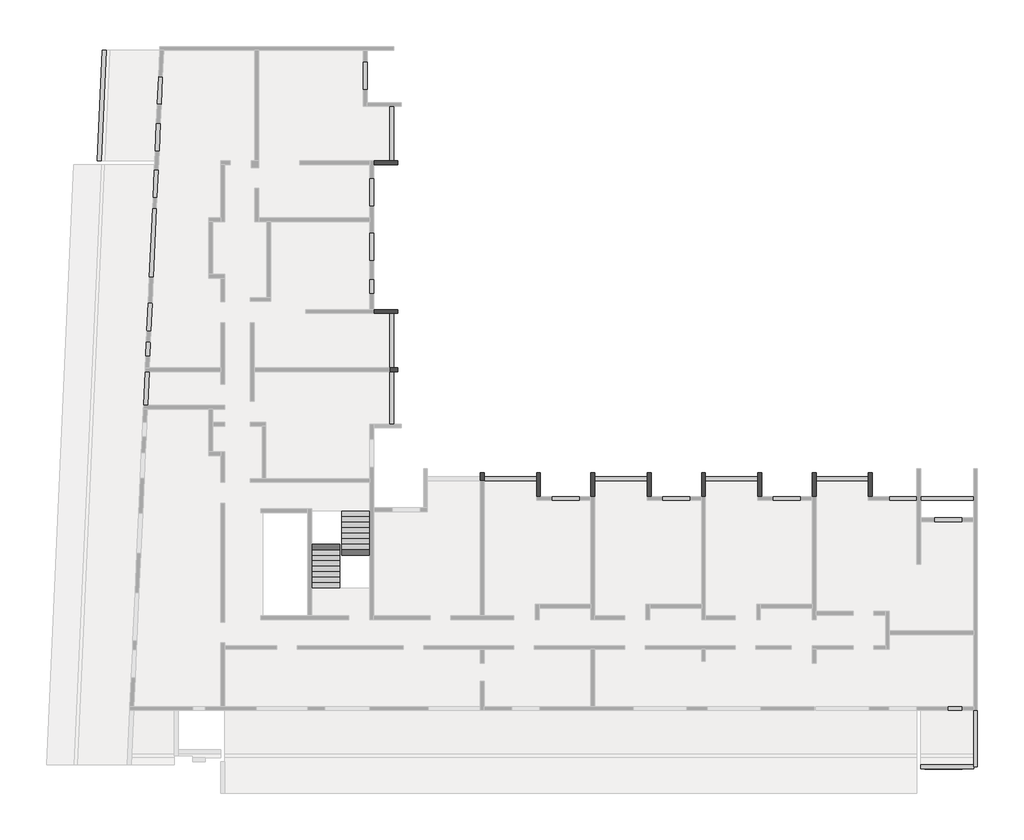
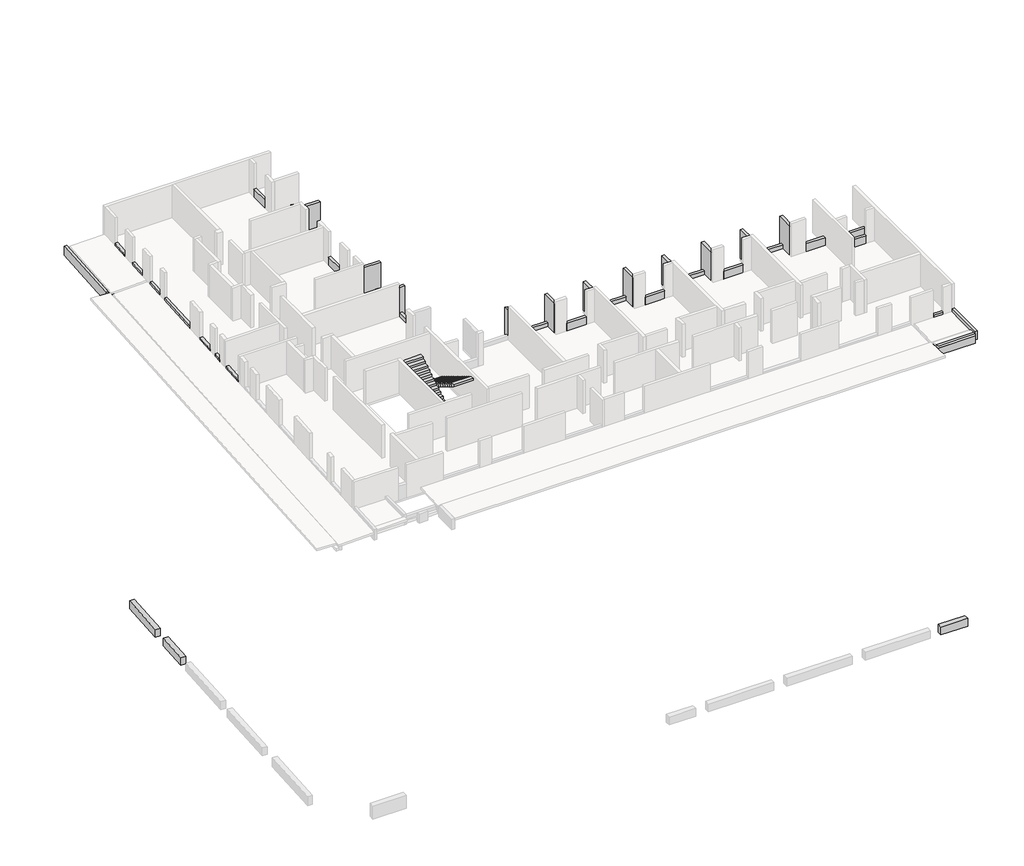
# One storey, part 4 of 4: 44 beams, 2 stair flights.
"""IFC4 building model written with IfcOpenShell, lengths in millimetres."""

from ifc_helpers import new_model, si_unit, frame, origin, place, context, project, spatial, polyline, outline, extrude, faceted_brep, element, save

model = new_model("IFC4")

# Units and contexts
model_context = context("Model", 3, world=origin())
ifc_project = project(units=[si_unit("LENGTHUNIT", "METRE", prefix="MILLI")], contexts=[model_context])

# Site, building, storey
site = spatial("IfcSite", under=ifc_project)
building = spatial("IfcBuilding", under=site)
storey = spatial("IfcBuildingStorey", under=building, Elevation=17350.0)

# Beams
placement = place(None, origin())
element("IfcBeam", 1, ObjectType="VF. 35/60", at=placement, inside=storey, context=model_context, shape_type="SweptSolid", body=[
    extrude(outline(polyline([(1214.3087092, -19094.0672499), (1214.3087092, -19444.0672499), (-725.6912908, -19444.0672499), (-725.6912908, -19094.0672499), (1214.3087092, -19094.0672499)])), frame((0.0, 0.0, -4300.0), z_axis=(0.0, 0.0, 1.0), x_axis=(1.0, 0.0, 0.0)), (0.0, 0.0, 1.0), 600.0),
])
element("IfcBeam", 2, ObjectType="VF. 35/60", at=placement, inside=storey, context=model_context, shape_type="SweptSolid", body=[
    extrude(outline(polyline([(-43422.2873301, 1534.4668187), (-43771.9277394, 1550.3282252), (-43663.0245256, 3950.9327501), (-43312.6645651, 3950.9327501), (-43422.2873301, 1534.4668187)])), frame((0.0, 0.0, -4300.0), z_axis=(0.0, 0.0, 1.0), x_axis=(1.0, 0.0, 0.0)), (0.0, 0.0, 1.0), 600.0),
])
element("IfcBeam", 3, ObjectType="VF. 35/60", at=placement, inside=storey, context=model_context, shape_type="SweptSolid", body=[
    extrude(outline(polyline([(-43265.3093316, 4994.8063327), (-43614.9497408, 5010.6677392), (-43454.5229436, 8547.0307357), (-43104.8825344, 8531.1693292), (-43265.3093316, 4994.8063327)])), frame((0.0, 0.0, -4300.0), z_axis=(0.0, 0.0, 1.0), x_axis=(1.0, 0.0, 0.0)), (0.0, 0.0, 1.0), 600.0),
])
element("IfcBeam", 4, ObjectType="VI. 20/238", at=placement, inside=storey, context=model_context, shape_type="Brep", body=[
    faceted_brep([(-3415.6912908, -5419.0672499, 19580.0), (-3615.6912908, -5419.0672499, 19580.0), (-3615.6912908, -5419.0672499, 17350.0), (-3415.6912908, -5419.0672499, 17350.0), (-3615.6912908, -4199.0672499, 19580.0), (-3415.6912908, -4199.0672499, 19580.0), (-3415.6912908, -4199.0672499, 17350.0), (-3615.6912908, -4199.0672499, 17350.0), (-3615.6912908, -4399.0672499, 17350.0), (-3615.6912908, -4399.0672499, 17650.0), (-3615.6912908, -4599.0672499, 17650.0), (-3615.6912908, -4599.0672499, 17350.0), (-3585.6912908, -4599.0672499, 17650.0), (-3585.6912908, -4399.0672499, 17650.0), (-3585.6912908, -4399.0672499, 17350.0), (-3585.6912908, -4599.0672499, 17350.0)], [[[0, 1, 2, 3]], [[4, 5, 6, 7]], [[1, 4, 7, 8, 9, 10, 11, 2]], [[5, 0, 3, 6]], [[1, 0, 5, 4]], [[12, 13, 14, 15]], [[10, 12, 15, 11]], [[13, 12, 10, 9]], [[13, 9, 8, 14]], [[3, 2, 11, 15, 14, 8, 7, 6]]]),
])
element("IfcBeam", 5, ObjectType="VI. 20/238", at=placement, inside=storey, context=model_context, shape_type="Brep", body=[
    faceted_brep([(-9105.6912908, -5419.0672499, 19580.0), (-9305.6912908, -5419.0672499, 19580.0), (-9305.6912908, -5419.0672499, 17350.0), (-9105.6912908, -5419.0672499, 17350.0), (-9305.6912908, -4199.0672499, 19580.0), (-9105.6912908, -4199.0672499, 19580.0), (-9105.6912908, -4199.0672499, 17350.0), (-9305.6912908, -4199.0672499, 17350.0), (-9305.6912908, -4399.0672499, 17350.0), (-9305.6912908, -4599.0672499, 17350.0)], [[[0, 1, 2, 3]], [[4, 5, 6, 7]], [[1, 4, 7, 8, 9, 2]], [[5, 0, 3, 6]], [[1, 0, 5, 4]], [[3, 2, 9, 8, 7, 6]]]),
])
element("IfcBeam", 6, ObjectType="VI. 20/238", at=placement, inside=storey, context=model_context, shape_type="Brep", body=[
    faceted_brep([(-20485.6912908, -5419.0672499, 19580.0), (-20685.6912908, -5419.0672499, 19580.0), (-20685.6912908, -5419.0672499, 17350.0), (-20485.6912908, -5419.0672499, 17350.0), (-20685.6912908, -4199.0672499, 19580.0), (-20485.6912908, -4199.0672499, 19580.0), (-20485.6912908, -4199.0672499, 17350.0), (-20685.6912908, -4199.0672499, 17350.0), (-20685.6912908, -4399.0672499, 17350.0), (-20685.6912908, -4399.0672499, 17650.0), (-20685.6912908, -4599.0672499, 17650.0), (-20685.6912908, -4599.0672499, 17350.0), (-20655.6912908, -4599.0672499, 17650.0), (-20655.6912908, -4399.0672499, 17650.0), (-20655.6912908, -4399.0672499, 17350.0), (-20655.6912908, -4599.0672499, 17350.0)], [[[0, 1, 2, 3]], [[4, 5, 6, 7]], [[1, 4, 7, 8, 9, 10, 11, 2]], [[5, 0, 3, 6]], [[1, 0, 5, 4]], [[12, 13, 14, 15]], [[10, 12, 15, 11]], [[13, 12, 10, 9]], [[13, 9, 8, 14]], [[3, 2, 11, 15, 14, 8, 7, 6]]]),
])
element("IfcBeam", 7, ObjectType="VI. 20/238", at=placement, inside=storey, context=model_context, shape_type="Brep", body=[
    faceted_brep([(-14995.6912908, -4199.0672499, 19580.0), (-14795.6912908, -4199.0672499, 19580.0), (-14795.6912908, -4199.0672499, 17350.0), (-14995.6912908, -4199.0672499, 17350.0), (-14795.6912908, -5419.0672499, 19580.0), (-14995.6912908, -5419.0672499, 19580.0), (-14995.6912908, -5419.0672499, 17350.0), (-14795.6912908, -5419.0672499, 17350.0), (-14995.6912908, -4399.0672499, 17350.0), (-14995.6912908, -4599.0672499, 17350.0)], [[[0, 1, 2, 3]], [[4, 5, 6, 7]], [[1, 4, 7, 2]], [[5, 0, 3, 8, 9, 6]], [[1, 0, 5, 4]], [[3, 2, 7, 6, 9, 8]]]),
])
element("IfcBeam", 8, ObjectType="VI. 20/238", at=placement, inside=storey, context=model_context, shape_type="Brep", body=[
    faceted_brep([(-27835.6912908, 4200.9327501, 19580.0), (-27835.6912908, 4000.9327501, 19580.0), (-27835.6912908, 4000.9327501, 17350.0), (-27835.6912908, 4200.9327501, 17350.0), (-29065.6912908, 4000.9327501, 19580.0), (-29065.6912908, 4200.9327501, 19580.0), (-29065.6912908, 4200.9327501, 17350.0), (-29065.6912908, 4000.9327501, 17350.0), (-28235.6912908, 4000.9327501, 17350.0), (-28035.6912908, 4000.9327501, 17350.0)], [[[0, 1, 2, 3]], [[4, 5, 6, 7]], [[1, 4, 7, 8, 9, 2]], [[5, 0, 3, 6]], [[1, 0, 5, 4]], [[3, 2, 9, 8, 7, 6]]]),
])
element("IfcBeam", 9, ObjectType="VI. 20/238", at=placement, inside=storey, context=model_context, shape_type="Brep", body=[
    faceted_brep([(-23375.6912908, -4599.0672499, 19580.0), (-23575.6912908, -4599.0672499, 19580.0), (-23575.6912908, -4599.0672499, 17350.0), (-23375.6912908, -4599.0672499, 17350.0), (-23575.6912908, -4199.0672499, 19580.0), (-23375.6912908, -4199.0672499, 19580.0), (-23375.6912908, -4199.0672499, 17350.0), (-23575.6912908, -4199.0672499, 17350.0), (-23575.6912908, -4399.0672499, 17350.0), (-23375.6912908, -4399.0672499, 17350.0)], [[[0, 1, 2, 3]], [[4, 5, 6, 7]], [[1, 4, 7, 8, 2]], [[5, 0, 3, 9, 6]], [[1, 0, 5, 4]], [[3, 2, 8, 7, 6, 9]]]),
])
element("IfcBeam", 10, ObjectType="VI. 20/238", at=placement, inside=storey, context=model_context, shape_type="Brep", body=[
    faceted_brep([(-6305.6912908, -5419.0672499, 19580.0), (-6505.6912908, -5419.0672499, 19580.0), (-6505.6912908, -5419.0672499, 17350.0), (-6305.6912908, -5419.0672499, 17350.0), (-6505.6912908, -4199.0672499, 19580.0), (-6305.6912908, -4199.0672499, 19580.0), (-6305.6912908, -4199.0672499, 17350.0), (-6505.6912908, -4199.0672499, 17350.0), (-6305.6912908, -4399.0672499, 17350.0)], [[[0, 1, 2, 3]], [[4, 5, 6, 7]], [[1, 4, 7, 2]], [[5, 0, 3, 8, 6]], [[1, 0, 5, 4]], [[3, 2, 7, 6, 8]]]),
])
element("IfcBeam", 11, ObjectType="VI. 20/238", at=placement, inside=storey, context=model_context, shape_type="Brep", body=[
    faceted_brep([(-11995.6912908, -5419.0672499, 19580.0), (-12195.6912908, -5419.0672499, 19580.0), (-12195.6912908, -5419.0672499, 17350.0), (-11995.6912908, -5419.0672499, 17350.0), (-12195.6912908, -4199.0672499, 19580.0), (-11995.6912908, -4199.0672499, 19580.0), (-11995.6912908, -4199.0672499, 17350.0), (-12195.6912908, -4199.0672499, 17350.0), (-11995.6912908, -4399.0672499, 17350.0)], [[[0, 1, 2, 3]], [[4, 5, 6, 7]], [[1, 4, 7, 2]], [[5, 0, 3, 8, 6]], [[1, 0, 5, 4]], [[3, 2, 7, 6, 8]]]),
])
element("IfcBeam", 12, ObjectType="VI. 20/238", at=placement, inside=storey, context=model_context, shape_type="Brep", body=[
    faceted_brep([(-17885.6912908, -4199.0672499, 19580.0), (-17685.6912908, -4199.0672499, 19580.0), (-17685.6912908, -4199.0672499, 17350.0), (-17885.6912908, -4199.0672499, 17350.0), (-17685.6912908, -5419.0672499, 19580.0), (-17885.6912908, -5419.0672499, 19580.0), (-17885.6912908, -5419.0672499, 17350.0), (-17685.6912908, -5419.0672499, 17350.0), (-17685.6912908, -4399.0672499, 17350.0)], [[[0, 1, 2, 3]], [[4, 5, 6, 7]], [[1, 4, 7, 8, 2]], [[5, 0, 3, 6]], [[1, 0, 5, 4]], [[3, 2, 8, 7, 6]]]),
])
element("IfcBeam", 13, ObjectType="VI. 20/238", at=placement, inside=storey, context=model_context, shape_type="Brep", body=[
    faceted_brep([(-27835.6912908, 1200.9327501, 19580.0), (-27835.6912908, 1000.9327501, 19580.0), (-27835.6912908, 1000.9327501, 17350.0), (-27835.6912908, 1200.9327501, 17350.0), (-28235.6912908, 1000.9327501, 19580.0), (-28235.6912908, 1200.9327501, 19580.0), (-28235.6912908, 1200.9327501, 17350.0), (-28235.6912908, 1000.9327501, 17350.0), (-28035.6912908, 1200.9327501, 17350.0), (-28035.6912908, 1000.9327501, 17350.0)], [[[0, 1, 2, 3]], [[4, 5, 6, 7]], [[5, 0, 3, 8, 6]], [[1, 4, 7, 9, 2]], [[1, 0, 5, 4]], [[3, 2, 9, 7, 6, 8]]]),
])
element("IfcBeam", 14, ObjectType="VI. 20/238", at=placement, inside=storey, context=model_context, shape_type="Brep", body=[
    faceted_brep([(-27835.6912908, 11850.9327501, 19580.0), (-27835.6912908, 11650.9327501, 19580.0), (-27835.6912908, 11650.9327501, 17350.0), (-27835.6912908, 11850.9327501, 17350.0), (-29065.6912908, 11650.9327501, 17350.0), (-29065.6912908, 11850.9327501, 17350.0), (-28235.6912908, 11850.9327501, 17350.0), (-28035.6912908, 11850.9327501, 17350.0), (-29065.6912908, 11850.9327501, 19580.0), (-29065.6912908, 11650.9327501, 19580.0)], [[[0, 1, 2, 3]], [[2, 4, 5, 6, 7, 3]], [[8, 5, 4, 9]], [[8, 0, 3, 7, 6, 5]], [[4, 2, 1, 9]], [[1, 0, 8, 9]]]),
])
element("IfcBeam", 15, ObjectType="VI. 20/45", at=placement, inside=storey, context=model_context, shape_type="Brep", body=[
    faceted_brep([(-3585.6912908, -4399.0672499, 17650.0), (-3585.6912908, -4599.0672499, 17650.0), (-3585.6912908, -4599.0672499, 17350.0), (-3585.6912908, -4399.0672499, 17350.0), (-6305.6912908, -4599.0672499, 17650.0), (-6305.6912908, -4399.0672499, 17650.0), (-6305.6912908, -4399.0672499, 17350.0), (-6305.6912908, -4599.0672499, 17350.0), (-3615.6912908, -4599.0672499, 17650.0), (-3615.6912908, -4599.0672499, 17350.0), (-3615.6912908, -4399.0672499, 17650.0), (-3615.6912908, -4399.0672499, 17350.0)], [[[0, 1, 2, 3]], [[4, 5, 6, 7]], [[1, 8, 4, 7, 9, 2]], [[5, 10, 0, 3, 11, 6]], [[1, 0, 10, 5, 4, 8]], [[3, 2, 9, 7, 6, 11]]]),
])
element("IfcBeam", 16, ObjectType="VI. 20/45", at=placement, inside=storey, context=model_context, shape_type="SweptSolid", body=[
    extrude(outline(polyline([(-9305.6912908, -4399.0672499), (-9305.6912908, -4599.0672499), (-11995.6912908, -4599.0672499), (-11995.6912908, -4399.0672499), (-9305.6912908, -4399.0672499)])), frame((0.0, 0.0, 17350.0), z_axis=(0.0, 0.0, 1.0), x_axis=(1.0, 0.0, 0.0)), (0.0, 0.0, 1.0), 300.0),
])
element("IfcBeam", 17, ObjectType="VI. 20/45", at=placement, inside=storey, context=model_context, shape_type="SweptSolid", body=[
    extrude(outline(polyline([(-14995.6912908, -4399.0672499), (-14995.6912908, -4599.0672499), (-17685.6912908, -4599.0672499), (-17685.6912908, -4399.0672499), (-14995.6912908, -4399.0672499)])), frame((0.0, 0.0, 17350.0), z_axis=(0.0, 0.0, 1.0), x_axis=(1.0, 0.0, 0.0)), (0.0, 0.0, 1.0), 300.0),
])
element("IfcBeam", 18, ObjectType="VI. 20/45", at=placement, inside=storey, context=model_context, shape_type="Brep", body=[
    faceted_brep([(-20655.6912908, -4399.0672499, 17650.0), (-20655.6912908, -4599.0672499, 17650.0), (-20655.6912908, -4599.0672499, 17350.0), (-20655.6912908, -4399.0672499, 17350.0), (-23375.6912908, -4599.0672499, 17650.0), (-23375.6912908, -4399.0672499, 17650.0), (-23375.6912908, -4399.0672499, 17350.0), (-23375.6912908, -4599.0672499, 17350.0), (-20685.6912908, -4599.0672499, 17650.0), (-20685.6912908, -4599.0672499, 17350.0), (-20685.6912908, -4399.0672499, 17650.0), (-20685.6912908, -4399.0672499, 17350.0)], [[[0, 1, 2, 3]], [[4, 5, 6, 7]], [[1, 8, 4, 7, 9, 2]], [[5, 10, 0, 3, 11, 6]], [[1, 0, 10, 5, 4, 8]], [[3, 2, 9, 7, 6, 11]]]),
])
element("IfcBeam", 19, ObjectType="VI. 20/45", at=placement, inside=storey, context=model_context, shape_type="SweptSolid", body=[
    extrude(outline(polyline([(-28235.6912908, 14650.9327501), (-28035.6912908, 14650.9327501), (-28035.6912908, 11850.9327501), (-28235.6912908, 11850.9327501), (-28235.6912908, 14650.9327501)])), frame((0.0, 0.0, 17350.0), z_axis=(0.0, 0.0, 1.0), x_axis=(1.0, 0.0, 0.0)), (0.0, 0.0, 1.0), 300.0),
])
element("IfcBeam", 20, ObjectType="VI. 20/45", at=placement, inside=storey, context=model_context, shape_type="SweptSolid", body=[
    extrude(outline(polyline([(-28235.6912908, 4000.9327501), (-28035.6912908, 4000.9327501), (-28035.6912908, 1200.9327501), (-28235.6912908, 1200.9327501), (-28235.6912908, 4000.9327501)])), frame((0.0, 0.0, 17350.0), z_axis=(0.0, 0.0, 1.0), x_axis=(1.0, 0.0, 0.0)), (0.0, 0.0, 1.0), 300.0),
])
element("IfcBeam", 21, ObjectType="VI. 20/45", at=placement, inside=storey, context=model_context, shape_type="SweptSolid", body=[
    extrude(outline(polyline([(-28235.6912908, 1000.9327501), (-28035.6912908, 1000.9327501), (-28035.6912908, -1689.5482142), (-28235.6912908, -1689.5482142), (-28235.6912908, 1000.9327501)])), frame((0.0, 0.0, 17350.0), z_axis=(0.0, 0.0, 1.0), x_axis=(1.0, 0.0, 0.0)), (0.0, 0.0, 1.0), 300.0),
])
element("IfcBeam", 22, ObjectType="VI. 20/45", at=placement, inside=storey, context=model_context, shape_type="Brep", body=[
    faceted_brep([(-42678.9989318, 11850.9327501, 17300.0), (-42421.3262299, 17530.9327501, 17300.0), (-42421.3262299, 17530.9327501, 17603.970003), (-42678.9989318, 11850.9327501, 17603.970003), (-42879.2046235, 11850.9327501, 17300.0), (-42621.5319217, 17530.9327501, 17300.0), (-42879.2046235, 11850.9327501, 17500.0), (-42879.2046235, 11850.9327501, 17599.970003), (-42621.5319217, 17530.9327501, 17599.970003), (-42621.5319217, 17530.9327501, 17500.0)], [[[0, 1, 2, 3]], [[0, 4, 5, 1]], [[5, 4, 6, 7, 8, 9]], [[4, 0, 3, 7, 6]], [[1, 5, 9, 8, 2]], [[3, 2, 8, 7]]]),
])
element("IfcBeam", 23, ObjectType="VI. 20/47", at=placement, inside=storey, context=model_context, shape_type="Brep", body=[
    faceted_brep([(1794.3087092, -5619.0672499, 17670.0), (1794.3087092, -5619.0672499, 17200.0), (1794.3087092, -5419.0672499, 17200.0), (1794.3087092, -5419.0672499, 17670.0), (-925.6912908, -5619.0672499, 17670.0), (-925.6912908, -5419.0672499, 17670.0), (-925.6912908, -5419.0672499, 17350.0), (-925.6912908, -5419.0672499, 17200.0), (-925.6912908, -5619.0672499, 17200.0), (-925.6912908, -5619.0672499, 17350.0)], [[[0, 1, 2, 3]], [[4, 5, 6, 7, 8, 9]], [[1, 0, 4, 9, 8]], [[2, 1, 8, 7]], [[3, 2, 7, 6, 5]], [[0, 3, 5, 4]]]),
])
element("IfcBeam", 24, ObjectType="VI. 20/57.5", at=placement, inside=storey, context=model_context, shape_type="Brep", body=[
    faceted_brep([(1794.3087092, -19049.0672499, 17300.0), (1794.3087092, -18849.0672499, 17300.0), (1794.3087092, -18849.0672499, 17500.0), (1794.3087092, -18849.0672499, 17724.880048), (1794.3087092, -19049.0672499, 17732.880048), (-925.6912908, -18849.0672499, 17300.0), (-925.6912908, -19049.0672499, 17300.0), (-925.6912908, -19049.0672499, 17732.880048), (-925.6912908, -18849.0672499, 17724.880048), (-925.6912908, -18849.0672499, 17500.0)], [[[0, 1, 2, 3, 4]], [[5, 6, 7, 8, 9]], [[6, 0, 4, 7]], [[1, 0, 6, 5]], [[1, 5, 9, 8, 3, 2]], [[4, 3, 8, 7]]]),
])
element("IfcBeam", 25, ObjectType="VI. 20/70", at=placement, inside=storey, context=model_context, shape_type="Brep", body=[
    faceted_brep([(-43079.4103153, 11850.9327501, 17200.0), (-42821.7376134, 17530.9327501, 17200.0), (-42821.7376134, 17530.9327501, 17300.0), (-42821.7376134, 17530.9327501, 17500.0), (-42821.7376134, 17530.9327501, 17900.0), (-43079.4103153, 11850.9327501, 17900.0), (-43079.4103153, 11850.9327501, 17500.0), (-43079.4103153, 11850.9327501, 17300.0), (-43279.616007, 11850.9327501, 17200.0), (-43021.9433052, 17530.9327501, 17200.0), (-43279.616007, 11850.9327501, 17900.0), (-43021.9433052, 17530.9327501, 17900.0)], [[[0, 1, 2, 3, 4, 5, 6, 7]], [[0, 8, 9, 1]], [[8, 10, 11, 9]], [[10, 5, 4, 11]], [[8, 0, 7, 6, 5, 10]], [[1, 9, 11, 4, 3, 2]]]),
])
element("IfcBeam", 26, ObjectType="VI. 20/70", at=placement, inside=storey, context=model_context, shape_type="Brep", body=[
    faceted_brep([(1794.3087092, -19219.0672499, 17900.0), (1794.3087092, -19419.0672499, 17900.0), (1794.3087092, -19419.0672499, 17897.8), (1794.3087092, -19219.0672499, 17889.8), (-925.6912908, -19419.0672499, 17900.0), (-925.6912908, -19419.0672499, 17897.8), (-925.6912908, -19219.0672499, 17900.0), (-925.6912908, -19219.0672499, 17889.8)], [[[0, 1, 2, 3]], [[1, 4, 5, 2]], [[1, 0, 6, 4]], [[3, 2, 5, 7]], [[4, 6, 7, 5]], [[6, 0, 3, 7]]]),
    faceted_brep([(-925.6912908, -19219.0672499, 17200.0), (-925.6912908, -19419.0672499, 17200.0), (-925.6912908, -19419.0672499, 17747.680048), (-925.6912908, -19219.0672499, 17739.680048), (1794.3087092, -19219.0672499, 17200.0), (1794.3087092, -19419.0672499, 17200.0), (1794.3087092, -19219.0672499, 17739.680048), (1794.3087092, -19419.0672499, 17747.680048), (1794.3087092, -19419.0672499, 17350.0)], [[[0, 1, 2, 3]], [[4, 5, 1, 0]], [[4, 0, 3, 6]], [[7, 6, 3, 2]], [[5, 4, 6, 7, 8]], [[1, 5, 8, 7, 2]]]),
])
element("IfcBeam", 27, ObjectType="VI. 20/75", at=placement, inside=storey, context=model_context, shape_type="SweptSolid", body=[
    extrude(outline(polyline([(1189.3087092, -6519.0672499), (1189.3087092, -6719.0672499), (-200.6912908, -6719.0672499), (-200.6912908, -6519.0672499), (1189.3087092, -6519.0672499)])), frame((0.0, 0.0, 17350.0), z_axis=(0.0, 0.0, 1.0), x_axis=(1.0, 0.0, 0.0)), (0.0, 0.0, 1.0), 600.0),
])
element("IfcBeam", 28, ObjectType="VI. 20/75", at=placement, inside=storey, context=model_context, shape_type="SweptSolid", body=[
    extrude(outline(polyline([(-1125.6912908, -5419.0672499), (-1125.6912908, -5619.0672499), (-2545.6912908, -5619.0672499), (-2545.6912908, -5419.0672499), (-1125.6912908, -5419.0672499)])), frame((0.0, 0.0, 17350.0), z_axis=(0.0, 0.0, 1.0), x_axis=(1.0, 0.0, 0.0)), (0.0, 0.0, 1.0), 600.0),
])
element("IfcBeam", 29, ObjectType="VI. 20/75", at=placement, inside=storey, context=model_context, shape_type="SweptSolid", body=[
    extrude(outline(polyline([(-7085.6912908, -5419.0672499), (-7085.6912908, -5619.0672499), (-8525.6912908, -5619.0672499), (-8525.6912908, -5419.0672499), (-7085.6912908, -5419.0672499)])), frame((0.0, 0.0, 17350.0), z_axis=(0.0, 0.0, 1.0), x_axis=(1.0, 0.0, 0.0)), (0.0, 0.0, 1.0), 600.0),
])
element("IfcBeam", 30, ObjectType="VI. 20/75", at=placement, inside=storey, context=model_context, shape_type="SweptSolid", body=[
    extrude(outline(polyline([(-29265.6912908, 8150.9327501), (-29065.6912908, 8150.9327501), (-29065.6912908, 6710.9327501), (-29265.6912908, 6710.9327501), (-29265.6912908, 8150.9327501)])), frame((0.0, 0.0, 17350.0), z_axis=(0.0, 0.0, 1.0), x_axis=(1.0, 0.0, 0.0)), (0.0, 0.0, 1.0), 600.0),
])
element("IfcBeam", 31, ObjectType="VI. 20/75", at=placement, inside=storey, context=model_context, shape_type="SweptSolid", body=[
    extrude(outline(polyline([(-12775.6912908, -5419.0672499), (-12775.6912908, -5619.0672499), (-14215.6912908, -5619.0672499), (-14215.6912908, -5419.0672499), (-12775.6912908, -5419.0672499)])), frame((0.0, 0.0, 17350.0), z_axis=(0.0, 0.0, 1.0), x_axis=(1.0, 0.0, 0.0)), (0.0, 0.0, 1.0), 600.0),
])
element("IfcBeam", 32, ObjectType="VI. 20/75", at=placement, inside=storey, context=model_context, shape_type="SweptSolid", body=[
    extrude(outline(polyline([(-18465.6912908, -5419.0672499), (-18465.6912908, -5619.0672499), (-19905.6912908, -5619.0672499), (-19905.6912908, -5419.0672499), (-18465.6912908, -5419.0672499)])), frame((0.0, 0.0, 17350.0), z_axis=(0.0, 0.0, 1.0), x_axis=(1.0, 0.0, 0.0)), (0.0, 0.0, 1.0), 600.0),
])
element("IfcBeam", 33, ObjectType="VI. 20/75", at=placement, inside=storey, context=model_context, shape_type="SweptSolid", body=[
    extrude(outline(polyline([(-29265.6912908, 5760.9327501), (-29065.6912908, 5760.9327501), (-29065.6912908, 5020.9327501), (-29265.6912908, 5020.9327501), (-29265.6912908, 5760.9327501)])), frame((0.0, 0.0, 17350.0), z_axis=(0.0, 0.0, 1.0), x_axis=(1.0, 0.0, 0.0)), (0.0, 0.0, 1.0), 600.0),
])
element("IfcBeam", 34, ObjectType="VI. 20/75", at=placement, inside=storey, context=model_context, shape_type="SweptSolid", body=[
    extrude(outline(polyline([(-29265.6912908, 10925.9327501), (-29065.6912908, 10925.9327501), (-29065.6912908, 9535.9327501), (-29265.6912908, 9535.9327501), (-29265.6912908, 10925.9327501)])), frame((0.0, 0.0, 17350.0), z_axis=(0.0, 0.0, 1.0), x_axis=(1.0, 0.0, 0.0)), (0.0, 0.0, 1.0), 600.0),
])
element("IfcBeam", 35, ObjectType="VI. 20/75", at=placement, inside=storey, context=model_context, shape_type="SweptSolid", body=[
    extrude(outline(polyline([(-29595.6912908, 16950.9327501), (-29395.6912908, 16950.9327501), (-29395.6912908, 15510.9327501), (-29595.6912908, 15510.9327501), (-29595.6912908, 16950.9327501)])), frame((0.0, 0.0, 17350.0), z_axis=(0.0, 0.0, 1.0), x_axis=(1.0, 0.0, 0.0)), (0.0, 0.0, 1.0), 600.0),
])
element("IfcBeam", 36, ObjectType="VI. 20/75", at=placement, inside=storey, context=model_context, shape_type="Brep", body=[
    faceted_brep([(-39993.9831052, 14769.3392898, 17950.0), (-40193.7776247, 14778.4029506, 17950.0), (-40193.7776247, 14778.4029506, 17801.0), (-40193.7776247, 14778.4029506, 17650.970003), (-40193.7776247, 14778.4029506, 17350.0), (-39993.9831052, 14769.3392898, 17350.0), (-40130.7851818, 16166.9748617, 17950.0), (-39930.9906622, 16157.9112008, 17950.0), (-39930.9906622, 16157.9112008, 17350.0), (-40130.7851818, 16166.9748617, 17350.0), (-40130.7851818, 16166.9748617, 17650.970003), (-40130.7851818, 16166.9748617, 17801.0)], [[[0, 1, 2, 3, 4, 5]], [[6, 7, 8, 9, 10, 11]], [[1, 6, 11, 10, 9, 4, 3, 2]], [[7, 0, 5, 8]], [[1, 0, 7, 6]], [[5, 4, 9, 8]]]),
])
element("IfcBeam", 37, ObjectType="VI. 20/75", at=placement, inside=storey, context=model_context, shape_type="Brep", body=[
    faceted_brep([(-40238.4161545, 13794.4149417, 17950.0), (-40038.6216349, 13785.3512809, 17950.0), (-40038.6216349, 13785.3512809, 17350.0), (-40238.4161545, 13794.4149417, 17350.0), (-40238.4161545, 13794.4149417, 17650.970003), (-40238.4161545, 13794.4149417, 17801.0), (-40103.8799931, 12346.8307399, 17950.0), (-40303.6745126, 12355.8944008, 17950.0), (-40303.6745126, 12355.8944008, 17801.0), (-40303.6745126, 12355.8944008, 17650.970003), (-40303.6745126, 12355.8944008, 17350.0), (-40103.8799931, 12346.8307399, 17350.0)], [[[0, 1, 2, 3, 4, 5]], [[6, 7, 8, 9, 10, 11]], [[1, 6, 11, 2]], [[7, 0, 5, 4, 3, 10, 9, 8]], [[1, 0, 7, 6]], [[3, 2, 11, 10]]]),
])
element("IfcBeam", 38, ObjectType="VI. 20/75", at=placement, inside=storey, context=model_context, shape_type="Brep", body=[
    faceted_brep([(-40212.6439234, 9949.296505, 17950.0), (-40412.4384429, 9958.3601659, 17950.0), (-40412.4384429, 9958.3601659, 17801.0), (-40412.4384429, 9958.3601659, 17650.970003), (-40412.4384429, 9958.3601659, 17350.0), (-40212.6439234, 9949.296505, 17350.0), (-40347.1800848, 11396.8807068, 17950.0), (-40147.3855652, 11387.817046, 17950.0), (-40147.3855652, 11387.817046, 17350.0), (-40347.1800848, 11396.8807068, 17350.0), (-40347.1800848, 11396.8807068, 17650.970003), (-40347.1800848, 11396.8807068, 17801.0)], [[[0, 1, 2, 3, 4, 5]], [[6, 7, 8, 9, 10, 11]], [[1, 6, 11, 10, 9, 4, 3, 2]], [[7, 0, 5, 8]], [[1, 0, 7, 6]], [[5, 4, 9, 8]]]),
])
element("IfcBeam", 39, ObjectType="VI. 20/75", at=placement, inside=storey, context=model_context, shape_type="Brep", body=[
    faceted_brep([(-40398.2223794, 5858.5037168, 17950.0), (-40598.016899, 5867.5673776, 17950.0), (-40598.016899, 5867.5673776, 17801.0), (-40598.016899, 5867.5673776, 17650.970003), (-40598.016899, 5867.5673776, 17350.0), (-40398.2223794, 5858.5037168, 17350.0), (-40436.6837357, 9423.909826, 17950.0), (-40236.8892162, 9414.8461652, 17950.0), (-40236.8892162, 9414.8461652, 17350.0), (-40436.6837357, 9423.909826, 17350.0), (-40436.6837357, 9423.909826, 17650.970003), (-40436.6837357, 9423.909826, 17801.0), (-40459.0475976, 8930.9327501, 17350.0), (-40459.0475976, 8930.9327501, 17650.970003), (-40459.0475976, 8930.9327501, 17801.0906366), (-40463.5840888, 8830.9327501, 17801.0), (-40468.12058, 8730.9327501, 17800.9093634), (-40468.12058, 8730.9327501, 17650.970003), (-40468.12058, 8730.9327501, 17350.0), (-40267.9148883, 8730.9327501, 17350.0), (-40258.8419058, 8930.9327501, 17350.0), (-40372.8822336, 8730.9327501, 17350.0), (-40372.8822336, 8930.9327501, 17350.0), (-40372.8822336, 8930.9327501, 17802.8121734), (-40372.8822336, 8730.9327501, 17802.8121734)], [[[0, 1, 2, 3, 4, 5]], [[6, 7, 8, 9, 10, 11]], [[1, 6, 11, 10, 9, 12, 13, 14, 15, 16, 17, 18, 4, 3, 2]], [[7, 0, 5, 19, 20, 8]], [[1, 0, 7, 6]], [[5, 4, 18, 21, 22, 12, 9, 8, 20, 19]], [[22, 23, 14, 13, 12]], [[24, 21, 18, 17, 16]], [[23, 24, 16, 15, 14]], [[23, 22, 21, 24]]]),
])
element("IfcBeam", 40, ObjectType="VI. 20/75", at=placement, inside=storey, context=model_context, shape_type="Brep", body=[
    faceted_brep([(-40696.3864849, -714.0672499, 17950.0), (-40696.3864849, -714.0672499, 17350.0), (-40618.5856603, 1000.9327501, 17350.0), (-40618.5856603, 1000.9327501, 17950.0), (-40896.5921767, -714.0672499, 17950.0), (-40818.7913521, 1000.9327501, 17950.0), (-40818.7913521, 1000.9327501, 17801.0), (-40818.7913521, 1000.9327501, 17650.970003), (-40818.7913521, 1000.9327501, 17350.0), (-40896.5921767, -714.0672499, 17350.0), (-40896.5921767, -714.0672499, 17650.970003), (-40896.5921767, -714.0672499, 17801.0)], [[[0, 1, 2, 3]], [[4, 5, 6, 7, 8, 9, 10, 11]], [[4, 0, 3, 5]], [[5, 3, 2, 8, 7, 6]], [[1, 0, 4, 11, 10, 9]], [[2, 1, 9, 8]]]),
])
element("IfcBeam", 41, ObjectType="VI. 20/75", at=placement, inside=storey, context=model_context, shape_type="Brep", body=[
    faceted_brep([(-40582.6678779, 1792.6852434, 17950.0), (-40782.4623975, 1801.7489043, 17950.0), (-40782.4623975, 1801.7489043, 17801.0), (-40782.4623975, 1801.7489043, 17650.970003), (-40782.4623975, 1801.7489043, 17350.0), (-40582.6678779, 1792.6852434, 17350.0), (-40748.9268523, 2540.9886267, 17950.0), (-40549.1323327, 2531.9249658, 17950.0), (-40549.1323327, 2531.9249658, 17350.0), (-40748.9268523, 2540.9886267, 17350.0), (-40748.9268523, 2540.9886267, 17650.970003), (-40748.9268523, 2540.9886267, 17801.0)], [[[0, 1, 2, 3, 4, 5]], [[6, 7, 8, 9, 10, 11]], [[1, 6, 11, 10, 9, 4, 3, 2]], [[7, 0, 5, 8]], [[1, 0, 7, 6]], [[5, 4, 9, 8]]]),
])
element("IfcBeam", 42, ObjectType="VI. 20/75", at=placement, inside=storey, context=model_context, shape_type="Brep", body=[
    faceted_brep([(-40658.0636522, 4543.9286854, 17950.0), (-40458.2691326, 4534.8650246, 17950.0), (-40458.2691326, 4534.8650246, 17350.0), (-40658.0636522, 4543.9286854, 17350.0), (-40658.0636522, 4543.9286854, 17650.970003), (-40658.0636522, 4543.9286854, 17801.0), (-40523.5274908, 3096.3444836, 17950.0), (-40723.3220104, 3105.4081445, 17950.0), (-40723.3220104, 3105.4081445, 17801.0), (-40723.3220104, 3105.4081445, 17650.970003), (-40723.3220104, 3105.4081445, 17350.0), (-40523.5274908, 3096.3444836, 17350.0)], [[[0, 1, 2, 3, 4, 5]], [[6, 7, 8, 9, 10, 11]], [[1, 6, 11, 2]], [[7, 0, 5, 4, 3, 10, 9, 8]], [[1, 0, 7, 6]], [[3, 2, 11, 10]]]),
])
element("IfcBeam", 43, ObjectType="VI. 20/75", at=placement, inside=storey, context=model_context, shape_type="SweptSolid", body=[
    extrude(outline(polyline([(489.3087092, -16419.0672499), (489.3087092, -16219.0672499), (1179.3087092, -16219.0672499), (1179.3087092, -16419.0672499), (489.3087092, -16419.0672499)])), frame((0.0, 0.0, 17350.0), z_axis=(0.0, 0.0, 1.0), x_axis=(1.0, 0.0, 0.0)), (0.0, 0.0, 1.0), 600.0),
])
element("IfcBeam", 44, ObjectType="VI. 20/80", at=placement, inside=storey, context=model_context, shape_type="Brep", body=[
    faceted_brep([(1994.3087092, -19319.0672499, 18000.0), (1794.3087092, -19319.0672499, 18000.0), (1794.3087092, -19319.0672499, 17350.0), (1994.3087092, -19319.0672499, 17350.0), (1994.3087092, -16419.0672499, 18000.0), (1994.3087092, -16419.0672499, 17350.0), (1794.3087092, -16419.0672499, 18000.0), (1794.3087092, -16419.0672499, 17800.75), (1794.3087092, -16419.0672499, 17650.7031323), (1794.3087092, -16419.0672499, 17350.0)], [[[0, 1, 2, 3]], [[4, 0, 3, 5]], [[1, 6, 7, 8, 9, 2]], [[1, 0, 4, 6]], [[6, 4, 5, 9, 8, 7]], [[3, 2, 9, 5]]]),
])

# Stair flights
element("IfcStairFlight", 45, at=placement, inside=storey, context=model_context, shape_type="Brep", body=[
    faceted_brep([(-32245.6912908, -9824.0672499, 17518.6666667), (-32245.6912908, -10104.0672499, 17518.6666667), (-30815.6912908, -10104.0672499, 17518.6666667), (-30815.6912908, -9824.0672499, 17518.6666667), (-30815.6912908, -10104.0672499, 17350.0), (-30815.6912908, -9852.1266309, 17350.0), (-30815.6912908, -9824.0672499, 17366.9024366), (-32245.6912908, -10104.0672499, 17350.0), (-32245.6912908, -9824.0672499, 17366.9024366), (-32245.6912908, -9852.1266309, 17350.0), (-32245.6912908, -9544.0672499, 17687.3333333), (-32245.6912908, -9824.0672499, 17687.3333333), (-30815.6912908, -9824.0672499, 17687.3333333), (-30815.6912908, -9544.0672499, 17687.3333333), (-30815.6912908, -9544.0672499, 17535.5691033), (-32245.6912908, -9544.0672499, 17535.5691033), (-32245.6912908, -9264.0672499, 17856.0), (-32245.6912908, -9544.0672499, 17856.0), (-30815.6912908, -9544.0672499, 17856.0), (-30815.6912908, -9264.0672499, 17856.0), (-30815.6912908, -9264.0672499, 17704.23577), (-32245.6912908, -9264.0672499, 17704.23577), (-32245.6912908, -8984.0672499, 18024.6666667), (-32245.6912908, -9264.0672499, 18024.6666667), (-30815.6912908, -9264.0672499, 18024.6666667), (-30815.6912908, -8984.0672499, 18024.6666667), (-30815.6912908, -8984.0672499, 17872.9024366), (-32245.6912908, -8984.0672499, 17872.9024366), (-32245.6912908, -8704.0672499, 18193.3333333), (-32245.6912908, -8984.0672499, 18193.3333333), (-30815.6912908, -8984.0672499, 18193.3333333), (-30815.6912908, -8704.0672499, 18193.3333333), (-30815.6912908, -8704.0672499, 18041.5691033), (-32245.6912908, -8704.0672499, 18041.5691033), (-32245.6912908, -8424.0672499, 18362.0), (-32245.6912908, -8704.0672499, 18362.0), (-30815.6912908, -8704.0672499, 18362.0), (-30815.6912908, -8424.0672499, 18362.0), (-30815.6912908, -8424.0672499, 18210.23577), (-32245.6912908, -8424.0672499, 18210.23577), (-32245.6912908, -8144.0672499, 18530.6666667), (-32245.6912908, -8424.0672499, 18530.6666667), (-30815.6912908, -8424.0672499, 18530.6666667), (-30815.6912908, -8144.0672499, 18530.6666667), (-30815.6912908, -8144.0672499, 18378.9024366), (-32245.6912908, -8144.0672499, 18378.9024366), (-32245.6912908, -7864.0672499, 18699.3333333), (-32245.6912908, -8144.0672499, 18699.3333333), (-30815.6912908, -8144.0672499, 18699.3333333), (-30815.6912908, -7864.0672499, 18699.3333333), (-30815.6912908, -7864.0672499, 18547.5691033), (-32245.6912908, -7864.0672499, 18547.5691033), (-32245.6912908, -7584.0672499, 18868.0), (-32245.6912908, -7864.0672499, 18868.0), (-30815.6912908, -7864.0672499, 18868.0), (-30815.6912908, -7584.0672499, 18868.0), (-30815.6912908, -7584.0672499, 18716.23577), (-32245.6912908, -7584.0672499, 18716.23577), (-32245.6912908, -7304.0672499, 19036.6666667), (-32245.6912908, -7584.0672499, 19036.6666667), (-30815.6912908, -7584.0672499, 19036.6666667), (-30815.6912908, -7304.0672499, 19036.6666667), (-30815.6912908, -7304.0672499, 18884.9024366), (-32245.6912908, -7304.0672499, 18884.9024366), (-32245.6912908, -7024.0672499, 19205.3333333), (-32245.6912908, -7304.0672499, 19205.3333333), (-30815.6912908, -7304.0672499, 19205.3333333), (-30815.6912908, -7024.0672499, 19205.3333333), (-30815.6912908, -7024.0672499, 19053.5691033), (-32245.6912908, -7024.0672499, 19053.5691033), (-32245.6912908, -6744.0672499, 19374.0), (-32245.6912908, -7024.0672499, 19374.0), (-30815.6912908, -7024.0672499, 19374.0), (-30815.6912908, -6744.0672499, 19374.0), (-30815.6912908, -6744.0672499, 19222.23577), (-32245.6912908, -6744.0672499, 19222.23577), (-32245.6912908, -6464.0672499, 19542.6666667), (-32245.6912908, -6744.0672499, 19542.6666667), (-30815.6912908, -6744.0672499, 19542.6666667), (-30815.6912908, -6464.0672499, 19542.6666667), (-30815.6912908, -6464.0672499, 19390.9024366), (-32245.6912908, -6464.0672499, 19390.9024366), (-32245.6912908, -6184.0672499, 19711.3333333), (-32245.6912908, -6464.0672499, 19711.3333333), (-30815.6912908, -6464.0672499, 19711.3333333), (-30815.6912908, -6184.0672499, 19711.3333333), (-30815.6912908, -6184.0672499, 19559.5691033), (-32245.6912908, -6184.0672499, 19559.5691033)], [[[0, 1, 2, 3]], [[3, 2, 4, 5, 6]], [[2, 1, 7, 4]], [[1, 0, 8, 9, 7]], [[10, 11, 12, 13]], [[13, 12, 3, 6, 14]], [[0, 3, 12, 11]], [[11, 10, 15, 8, 0]], [[16, 17, 18, 19]], [[19, 18, 13, 14, 20]], [[10, 13, 18, 17]], [[17, 16, 21, 15, 10]], [[22, 23, 24, 25]], [[25, 24, 19, 20, 26]], [[16, 19, 24, 23]], [[23, 22, 27, 21, 16]], [[28, 29, 30, 31]], [[31, 30, 25, 26, 32]], [[22, 25, 30, 29]], [[29, 28, 33, 27, 22]], [[34, 35, 36, 37]], [[37, 36, 31, 32, 38]], [[28, 31, 36, 35]], [[35, 34, 39, 33, 28]], [[40, 41, 42, 43]], [[43, 42, 37, 38, 44]], [[34, 37, 42, 41]], [[41, 40, 45, 39, 34]], [[46, 47, 48, 49]], [[49, 48, 43, 44, 50]], [[40, 43, 48, 47]], [[47, 46, 51, 45, 40]], [[52, 53, 54, 55]], [[55, 54, 49, 50, 56]], [[46, 49, 54, 53]], [[53, 52, 57, 51, 46]], [[58, 59, 60, 61]], [[61, 60, 55, 56, 62]], [[52, 55, 60, 59]], [[59, 58, 63, 57, 52]], [[64, 65, 66, 67]], [[67, 66, 61, 62, 68]], [[58, 61, 66, 65]], [[65, 64, 69, 63, 58]], [[70, 71, 72, 73]], [[73, 72, 67, 68, 74]], [[64, 67, 72, 71]], [[71, 70, 75, 69, 64]], [[76, 77, 78, 79]], [[79, 78, 73, 74, 80]], [[70, 73, 78, 77]], [[77, 76, 81, 75, 70]], [[82, 83, 84, 85]], [[85, 84, 79, 80, 86]], [[76, 79, 84, 83]], [[83, 82, 87, 81, 76]], [[82, 85, 86, 87]], [[4, 7, 9, 5]], [[5, 9, 8, 15, 21, 27, 33, 39, 45, 51, 57, 63, 69, 75, 81, 87, 86, 80, 74, 68, 62, 56, 50, 44, 38, 32, 26, 20, 14, 6]]]),
])
element("IfcStairFlight", 46, at=placement, inside=storey, context=model_context, shape_type="Brep", body=[
    faceted_brep([(-29265.6912908, -6464.0672499, 17518.6666667), (-29265.6912908, -6184.0672499, 17518.6666667), (-30695.6912908, -6184.0672499, 17518.6666667), (-30695.6912908, -6464.0672499, 17518.6666667), (-29265.6912908, -6464.0672499, 17366.9024366), (-29265.6912908, -6436.0078689, 17350.0), (-29265.6912908, -6184.0672499, 17350.0), (-30695.6912908, -6184.0672499, 17350.0), (-30695.6912908, -6436.0078689, 17350.0), (-30695.6912908, -6464.0672499, 17366.9024366), (-29265.6912908, -6744.0672499, 17687.3333333), (-29265.6912908, -6464.0672499, 17687.3333333), (-30695.6912908, -6464.0672499, 17687.3333333), (-30695.6912908, -6744.0672499, 17687.3333333), (-29265.6912908, -6744.0672499, 17535.5691033), (-30695.6912908, -6744.0672499, 17535.5691033), (-29265.6912908, -7024.0672499, 17856.0), (-29265.6912908, -6744.0672499, 17856.0), (-30695.6912908, -6744.0672499, 17856.0), (-30695.6912908, -7024.0672499, 17856.0), (-29265.6912908, -7024.0672499, 17704.23577), (-30695.6912908, -7024.0672499, 17704.23577), (-29265.6912908, -7304.0672499, 18024.6666667), (-29265.6912908, -7024.0672499, 18024.6666667), (-30695.6912908, -7024.0672499, 18024.6666667), (-30695.6912908, -7304.0672499, 18024.6666667), (-29265.6912908, -7304.0672499, 17872.9024366), (-30695.6912908, -7304.0672499, 17872.9024366), (-29265.6912908, -7584.0672499, 18193.3333333), (-29265.6912908, -7304.0672499, 18193.3333333), (-30695.6912908, -7304.0672499, 18193.3333333), (-30695.6912908, -7584.0672499, 18193.3333333), (-29265.6912908, -7584.0672499, 18041.5691033), (-30695.6912908, -7584.0672499, 18041.5691033), (-29265.6912908, -7864.0672499, 18362.0), (-29265.6912908, -7584.0672499, 18362.0), (-30695.6912908, -7584.0672499, 18362.0), (-30695.6912908, -7864.0672499, 18362.0), (-29265.6912908, -7864.0672499, 18210.23577), (-30695.6912908, -7864.0672499, 18210.23577), (-29265.6912908, -8144.0672499, 18530.6666667), (-29265.6912908, -7864.0672499, 18530.6666667), (-30695.6912908, -7864.0672499, 18530.6666667), (-30695.6912908, -8144.0672499, 18530.6666667), (-29265.6912908, -8144.0672499, 18378.9024366), (-30695.6912908, -8144.0672499, 18378.9024366), (-29265.6912908, -8424.0672499, 18699.3333333), (-29265.6912908, -8144.0672499, 18699.3333333), (-30695.6912908, -8144.0672499, 18699.3333333), (-30695.6912908, -8424.0672499, 18699.3333333), (-29265.6912908, -8424.0672499, 18547.5691033), (-30695.6912908, -8424.0672499, 18547.5691033), (-29265.6912908, -8704.0672499, 18868.0), (-29265.6912908, -8424.0672499, 18868.0), (-30695.6912908, -8424.0672499, 18868.0), (-30695.6912908, -8704.0672499, 18868.0), (-29265.6912908, -8704.0672499, 18716.23577), (-30695.6912908, -8704.0672499, 18716.23577), (-29265.6912908, -8984.0672499, 19036.6666667), (-29265.6912908, -8704.0672499, 19036.6666667), (-30695.6912908, -8704.0672499, 19036.6666667), (-30695.6912908, -8984.0672499, 19036.6666667), (-29265.6912908, -8984.0672499, 18884.9024366), (-30695.6912908, -8984.0672499, 18884.9024366), (-29265.6912908, -9264.0672499, 19205.3333333), (-29265.6912908, -8984.0672499, 19205.3333333), (-30695.6912908, -8984.0672499, 19205.3333333), (-30695.6912908, -9264.0672499, 19205.3333333), (-29265.6912908, -9264.0672499, 19053.5691033), (-30695.6912908, -9264.0672499, 19053.5691033), (-29265.6912908, -9544.0672499, 19374.0), (-29265.6912908, -9264.0672499, 19374.0), (-30695.6912908, -9264.0672499, 19374.0), (-30695.6912908, -9544.0672499, 19374.0), (-29265.6912908, -9544.0672499, 19222.23577), (-30695.6912908, -9544.0672499, 19222.23577), (-29265.6912908, -9824.0672499, 19542.6666667), (-29265.6912908, -9544.0672499, 19542.6666667), (-30695.6912908, -9544.0672499, 19542.6666667), (-30695.6912908, -9824.0672499, 19542.6666667), (-29265.6912908, -9824.0672499, 19390.9024366), (-30695.6912908, -9824.0672499, 19390.9024366), (-29265.6912908, -10104.0672499, 19711.3333333), (-29265.6912908, -9824.0672499, 19711.3333333), (-30695.6912908, -9824.0672499, 19711.3333333), (-30695.6912908, -10104.0672499, 19711.3333333), (-29265.6912908, -10104.0672499, 19559.5691033), (-30695.6912908, -10104.0672499, 19559.5691033)], [[[0, 1, 2, 3]], [[1, 0, 4, 5, 6]], [[2, 1, 6, 7]], [[3, 2, 7, 8, 9]], [[10, 11, 12, 13]], [[11, 10, 14, 4, 0]], [[0, 3, 12, 11]], [[13, 12, 3, 9, 15]], [[16, 17, 18, 19]], [[17, 16, 20, 14, 10]], [[10, 13, 18, 17]], [[19, 18, 13, 15, 21]], [[22, 23, 24, 25]], [[23, 22, 26, 20, 16]], [[16, 19, 24, 23]], [[25, 24, 19, 21, 27]], [[28, 29, 30, 31]], [[29, 28, 32, 26, 22]], [[22, 25, 30, 29]], [[31, 30, 25, 27, 33]], [[34, 35, 36, 37]], [[35, 34, 38, 32, 28]], [[28, 31, 36, 35]], [[37, 36, 31, 33, 39]], [[40, 41, 42, 43]], [[41, 40, 44, 38, 34]], [[34, 37, 42, 41]], [[43, 42, 37, 39, 45]], [[46, 47, 48, 49]], [[47, 46, 50, 44, 40]], [[40, 43, 48, 47]], [[49, 48, 43, 45, 51]], [[52, 53, 54, 55]], [[53, 52, 56, 50, 46]], [[46, 49, 54, 53]], [[55, 54, 49, 51, 57]], [[58, 59, 60, 61]], [[59, 58, 62, 56, 52]], [[52, 55, 60, 59]], [[61, 60, 55, 57, 63]], [[64, 65, 66, 67]], [[65, 64, 68, 62, 58]], [[58, 61, 66, 65]], [[67, 66, 61, 63, 69]], [[70, 71, 72, 73]], [[71, 70, 74, 68, 64]], [[64, 67, 72, 71]], [[73, 72, 67, 69, 75]], [[76, 77, 78, 79]], [[77, 76, 80, 74, 70]], [[70, 73, 78, 77]], [[79, 78, 73, 75, 81]], [[82, 83, 84, 85]], [[83, 82, 86, 80, 76]], [[76, 79, 84, 83]], [[85, 84, 79, 81, 87]], [[82, 85, 87, 86]], [[7, 6, 5, 8]], [[8, 5, 4, 14, 20, 26, 32, 38, 44, 50, 56, 62, 68, 74, 80, 86, 87, 81, 75, 69, 63, 57, 51, 45, 39, 33, 27, 21, 15, 9]]]),
])

save(model, "model.ifc")
